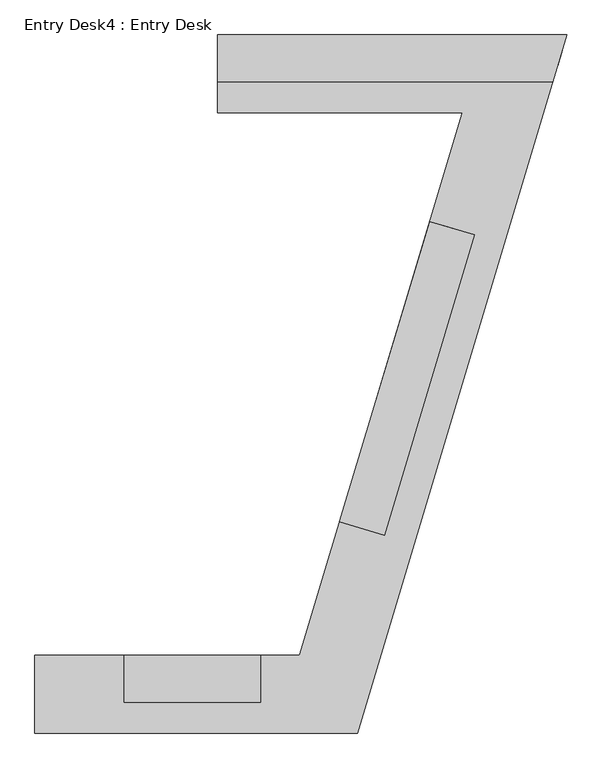
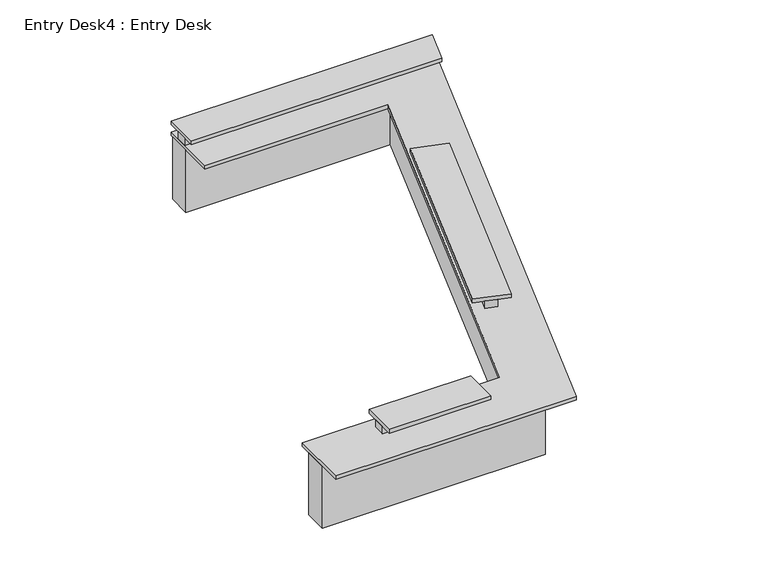
"""IFC4 building model written with IfcOpenShell, lengths in millimetres: furniture geometry, Entry Desk4 : Entry Desk."""

from ifc_helpers import new_model, si_unit, frame, origin, origin_with_axes, place, context, project, spatial, polyline, outline, extrude, source, transform, mapped, element, save


def entry_desk4_entry_desk_cbc55721(model_context):
    return source(origin(), model_context, "Body", "SweptSolid", [
        extrude(outline(polyline([(194924.6088743, -249759.0080223), (191585.1795609, -249759.0080223), (191585.1795609, -249606.6080223), (194970.417171, -249606.6080223), (194924.6088743, -249759.0080223)])), frame((0.0, 0.0, 914.4), z_axis=(0.0, 0.0, 1.0), x_axis=(1.0, 0.0, 0.0)), (0.0, 0.0, 1.0), 101.6),
        extrude(outline(polyline([(192009.0420609, -255694.6705223), (192009.0420609, -255847.0705223), (190670.7795609, -255847.0705223), (190670.7795609, -255694.6705223), (192009.0420609, -255694.6705223)])), frame((0.0, 0.0, 914.4), z_axis=(0.0, 0.0, 1.0), x_axis=(1.0, 0.0, 0.0)), (0.0, 0.0, 1.0), 101.6),
        extrude(outline(polyline([(193810.014594, -251327.0329538), (193955.964026, -251370.9023427), (193070.7140772, -254316.0477008), (192924.7646451, -254272.1783118), (193810.014594, -251327.0329538)])), frame((0.0, 0.0, 914.4), z_axis=(0.0, 0.0, 1.0), x_axis=(1.0, 0.0, 0.0)), (0.0, 0.0, 1.0), 101.6),
        extrude(outline(polyline([(194271.036412, -249787.5830223), (191585.1795609, -249787.5830223), (191585.1795609, -249482.7830223), (194680.9243363, -249482.7830223), (192722.1424852, -255999.4705223), (189791.7629676, -255999.4705223), (189791.7629676, -255694.6705223), (192495.4877474, -255694.6705223), (194271.036412, -249787.5830223)])), origin_with_axes(), (0.0, 0.0, 1.0), 863.6),
        extrude(outline(polyline([(192009.0420609, -255542.2705223), (192009.0420609, -255999.4705223), (190670.7795609, -255999.4705223), (190670.7795609, -255542.2705223), (192009.0420609, -255542.2705223)])), frame((0.0, 0.0, 1016.0), z_axis=(0.0, 0.0, 1.0), x_axis=(1.0, 0.0, 0.0)), (0.0, 0.0, 1.0), 50.8),
        extrude(outline(polyline([(193670.2426995, -251285.0204052), (194108.0909957, -251416.6285721), (193222.8410468, -254361.7739301), (192784.9927507, -254230.1657632), (193670.2426995, -251285.0204052)])), frame((0.0, 0.0, 1016.0), z_axis=(0.0, 0.0, 1.0), x_axis=(1.0, 0.0, 0.0)), (0.0, 0.0, 1.0), 50.8),
        extrude(outline(polyline([(191585.1795609, -249911.4080223), (191585.1795609, -249454.2080223), (195016.2254676, -249454.2080223), (194878.8005777, -249911.4080223), (191585.1795609, -249911.4080223)])), frame((0.0, 0.0, 1016.0), z_axis=(0.0, 0.0, 1.0), x_axis=(1.0, 0.0, 0.0)), (0.0, 0.0, 1.0), 50.8),
        extrude(outline(polyline([(192957.2379676, -256304.2705223), (189791.7629676, -256304.2705223), (189791.7629676, -255542.2705223), (192390.6011232, -255542.2705223), (193991.5056568, -250216.2080223), (191585.1795609, -250216.2080223), (191585.1795609, -249454.2080223), (195016.2254676, -249454.2080223), (192957.2379676, -256304.2705223)])), frame((0.0, 0.0, 863.6), z_axis=(0.0, 0.0, 1.0), x_axis=(1.0, 0.0, 0.0)), (0.0, 0.0, 1.0), 50.8),
    ])


if __name__ == "__main__":
    model = new_model("IFC4")
    model_context = context("Model", 3, world=origin())
    ifc_project = project(units=[si_unit("LENGTHUNIT", "METRE", prefix="MILLI")], contexts=[model_context])
    site = spatial("IfcSite", under=ifc_project)
    building = spatial("IfcBuilding", under=site)
    placement = place(None, origin())
    entry_desk4_entry_desk_shape = entry_desk4_entry_desk_cbc55721(model_context)
    element("IfcFurniture", 1, ObjectType="Entry Desk4 : Entry Desk", at=placement, inside=building, context=model_context, shape_type="MappedRepresentation", body=[
        mapped(entry_desk4_entry_desk_shape, transform((0.0, 0.0, 0.0), x_axis=(1.0, 0.0, 0.0), y_axis=(0.0, 1.0, 0.0), z_axis=(0.0, 0.0, 1.0))),
    ])
    save(model, "model.ifc")
